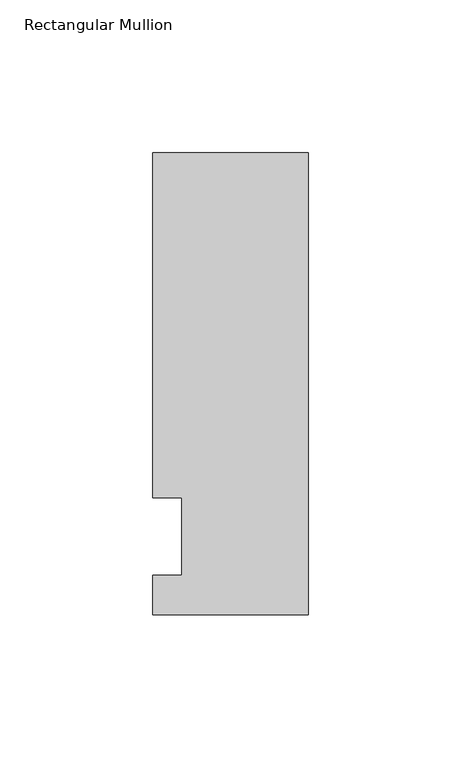
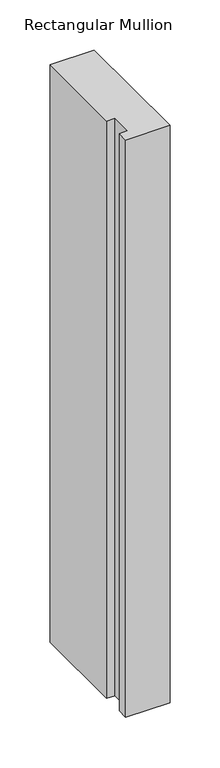
"""IFC4 building model written with IfcOpenShell, lengths in millimetres: member geometry, Rectangular Mullion."""

from ifc_helpers import new_model, si_unit, frame, origin, place, context, project, spatial, polyline, outline, extrude, source, transform, mapped, element, save


def rectangular_mullion_7cf8440e(model_context):
    return source(origin(), model_context, "Body", "SweptSolid", [
        extrude(outline(polyline([(-50.8, -25.5984375), (-50.8, -12.7), (-41.275, -12.7), (-41.275, 12.7), (-50.8, 12.7), (-50.8, 125.6109375), (0.0, 125.6109375), (0.0, -25.5984375), (-50.8, -25.5984375)])), frame((0.0, 0.0, -703.2625471), z_axis=(0.0, 0.0, 1.0), x_axis=(1.0, 0.0, 0.0)), (0.0, 0.0, 1.0), 703.2625471),
    ])


if __name__ == "__main__":
    model = new_model("IFC4")
    model_context = context("Model", 3, world=origin())
    ifc_project = project(units=[si_unit("LENGTHUNIT", "METRE", prefix="MILLI")], contexts=[model_context])
    site = spatial("IfcSite", under=ifc_project)
    building = spatial("IfcBuilding", under=site)
    placement = place(None, origin())
    rectangular_mullion_shape = rectangular_mullion_7cf8440e(model_context)
    element("IfcMember", 1, ObjectType="Rectangular Mullion", at=placement, inside=building, context=model_context, shape_type="MappedRepresentation", body=[
        mapped(rectangular_mullion_shape, transform((0.0, 0.0, 0.0), x_axis=(1.0, 0.0, 0.0), y_axis=(0.0, 1.0, 0.0), z_axis=(0.0, 0.0, 1.0))),
    ])
    save(model, "model.ifc")
